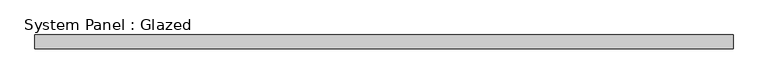
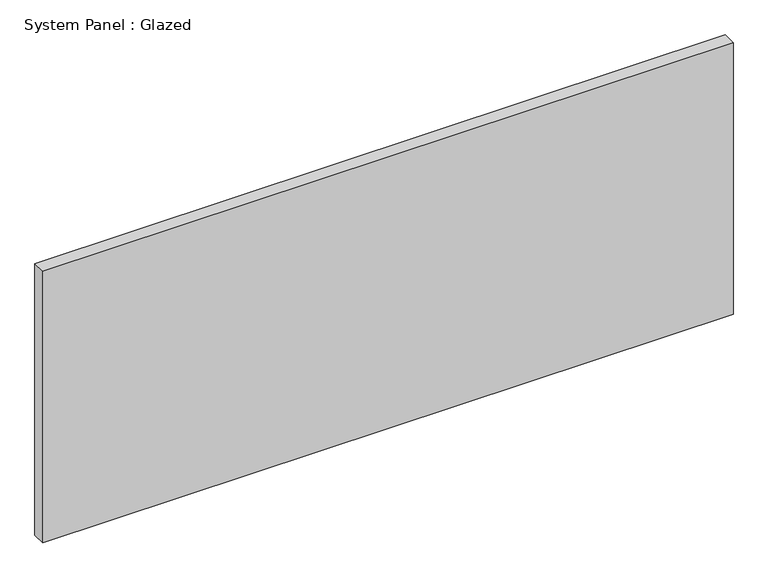
"""IFC4 building model written with IfcOpenShell, lengths in millimetres: plate geometry, System Panel : Glazed."""

from ifc_helpers import new_model, si_unit, origin, origin_with_axes, place, context, project, spatial, polyline, outline, extrude, source, transform, mapped, element, save


def system_panel_glazed_02dfb2dd(model_context):
    return source(origin(), model_context, "Body", "SweptSolid", [
        extrude(outline(polyline([(631.25, 24.5), (-631.25, 24.5), (-631.25, 49.5), (631.25, 49.5), (631.25, 24.5)])), origin_with_axes(), (0.0, 0.0, 1.0), 525.0),
    ])


if __name__ == "__main__":
    model = new_model("IFC4")
    model_context = context("Model", 3, world=origin())
    ifc_project = project(units=[si_unit("LENGTHUNIT", "METRE", prefix="MILLI")], contexts=[model_context])
    site = spatial("IfcSite", under=ifc_project)
    building = spatial("IfcBuilding", under=site)
    placement = place(None, origin())
    system_panel_glazed_shape = system_panel_glazed_02dfb2dd(model_context)
    element("IfcPlate", 1, ObjectType="System Panel : Glazed", at=placement, inside=building, context=model_context, shape_type="MappedRepresentation", body=[
        mapped(system_panel_glazed_shape, transform((0.0, 0.0, 0.0), x_axis=(1.0, 0.0, 0.0), y_axis=(0.0, 1.0, 0.0), z_axis=(0.0, 0.0, 1.0))),
    ])
    save(model, "model.ifc")
